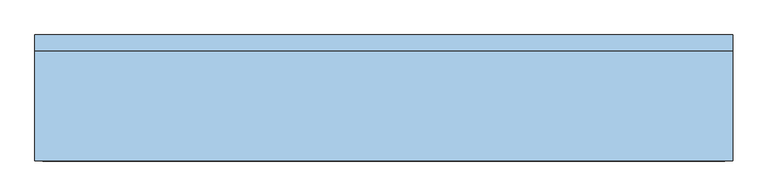
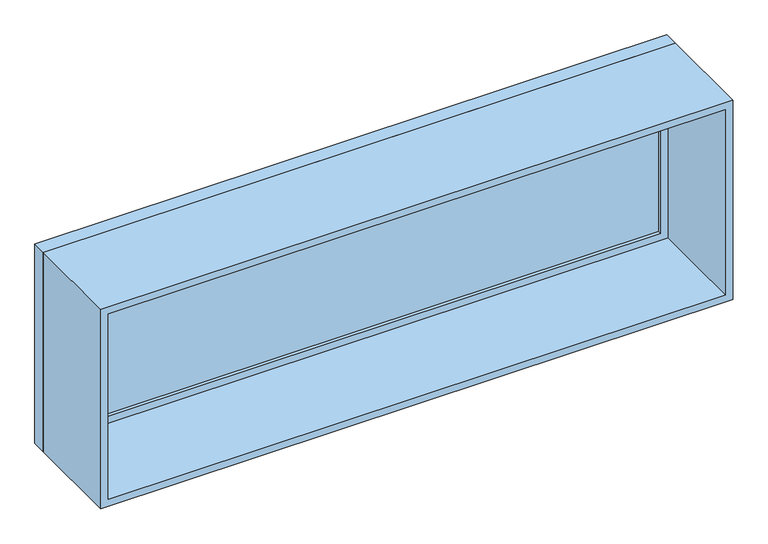
"""IFC4 building model written with IfcOpenShell, lengths in millimetres: window geometry."""

from ifc_helpers import new_model, si_unit, frame, origin, place, context, project, spatial, polyline, outline, extrude, source, transform, mapped, element, save


def window_21c8f93a(model_context):
    return source(origin(), model_context, "Body", "SweptSolid", [
        extrude(outline(polyline([(1270.0, 200.025), (-1346.2, 200.025), (-1346.2, 212.725), (1270.0, 212.725), (1270.0, 200.025)])), frame((0.0, 0.0, 977.9), z_axis=(0.0, 0.0, 1.0), x_axis=(1.0, 0.0, 0.0)), (0.0, 0.0, 1.0), 787.4),
        extrude(outline(polyline([(1809.75, -1390.65), (933.45, -1390.65), (933.45, 1314.45), (1809.75, 1314.45), (1809.75, -1390.65)]), holes=[polyline([(1765.3, -1346.2), (1765.3, 1270.0), (977.9, 1270.0), (977.9, -1346.2), (1765.3, -1346.2)])]), frame((0.0, 184.15, 0.0), z_axis=(0.0, 1.0, 0.0), x_axis=(0.0, 0.0, 1.0)), (0.0, 0.0, 1.0), 44.45),
        extrude(outline(polyline([(1828.8, -1409.7), (914.4, -1409.7), (914.4, 1333.5), (1828.8, 1333.5), (1828.8, -1409.7)]), holes=[polyline([(1797.05, -1377.95), (1797.05, 1301.75), (946.15, 1301.75), (946.15, -1377.95), (1797.05, -1377.95)])]), frame((0.0, -247.65, 0.0), z_axis=(0.0, 1.0, 0.0), x_axis=(0.0, 0.0, 1.0)), (0.0, 0.0, 1.0), 431.8),
        extrude(outline(polyline([(1828.8, 1333.5), (1828.8, -1409.7), (914.4, -1409.7), (914.4, 1333.5), (1828.8, 1333.5)]), holes=[polyline([(1809.75, 1314.45), (933.45, 1314.45), (933.45, -1390.65), (1809.75, -1390.65), (1809.75, 1314.45)])]), frame((0.0, 184.15, 0.0), z_axis=(0.0, 1.0, 0.0), x_axis=(0.0, 0.0, 1.0)), (0.0, 0.0, 1.0), 63.5),
    ])


if __name__ == "__main__":
    model = new_model("IFC4")
    model_context = context("Model", 3, world=origin())
    ifc_project = project(units=[si_unit("LENGTHUNIT", "METRE", prefix="MILLI")], contexts=[model_context])
    site = spatial("IfcSite", under=ifc_project)
    building = spatial("IfcBuilding", under=site)
    placement = place(None, origin())
    window_shape = window_21c8f93a(model_context)
    element("IfcWindow", 1, at=placement, inside=building, context=model_context, shape_type="MappedRepresentation", body=[
        mapped(window_shape, transform((0.0, 0.0, 0.0), x_axis=(1.0, 0.0, 0.0), y_axis=(0.0, 1.0, 0.0), z_axis=(0.0, 0.0, 1.0))),
    ])
    save(model, "model.ifc")
